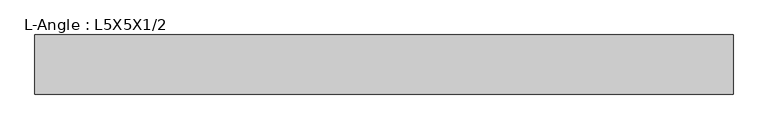
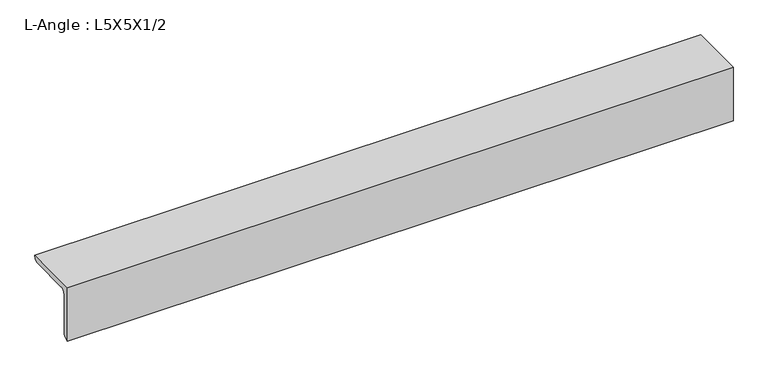
"""IFC4 building model written with IfcOpenShell, lengths in millimetres: beam geometry, L-Angle : L5X5X1/2."""

from ifc_helpers import new_model, si_unit, point, frame, frame_2d, origin, place, context, project, spatial, polyline, circle_curve, trimmed, segment, composite_curve, outline, extrude, source, transform, mapped, element, save


def l_angle_l5x5x1_2_169031e7(model_context):
    return source(origin(), model_context, "Body", "SweptSolid", [
        extrude(outline(composite_curve([segment(polyline([(-36.068, 36.068), (90.932, 36.068)]), True, "CONTINUOUS"), segment(trimmed(circle_curve(frame_2d((78.232, 36.068)), 12.7), [point((90.932, 36.068))], [point((78.232, 23.368))], False, "CARTESIAN"), True, "CONTINUOUS"), segment(polyline([(78.232, 23.368), (-10.668, 23.368)]), True, "CONTINUOUS"), segment(trimmed(circle_curve(frame_2d((-10.668, 10.668)), 12.7), [point((-10.668, 23.368))], [point((-23.368, 10.668))], True, "CARTESIAN"), True, "CONTINUOUS"), segment(polyline([(-23.368, 10.668), (-23.368, -78.232)]), True, "CONTINUOUS"), segment(trimmed(circle_curve(frame_2d((-36.068, -78.232)), 12.7), [point((-23.368, -78.232))], [point((-36.068, -90.932))], False, "CARTESIAN"), True, "CONTINUOUS"), segment(polyline([(-36.068, -90.932), (-36.068, 36.068)]), True, "CONTINUOUS")], self_intersect=False)), frame((-182.1277022, 0.0, 0.0), z_axis=(1.0, 0.0, 0.0), x_axis=(0.0, 1.0, 0.0)), (0.0, 0.0, 1.0), 1498.8071654),
    ])


if __name__ == "__main__":
    model = new_model("IFC4")
    model_context = context("Model", 3, world=origin())
    ifc_project = project(units=[si_unit("LENGTHUNIT", "METRE", prefix="MILLI")], contexts=[model_context])
    site = spatial("IfcSite", under=ifc_project)
    building = spatial("IfcBuilding", under=site)
    placement = place(None, origin())
    l_angle_l5x5x1_2_shape = l_angle_l5x5x1_2_169031e7(model_context)
    element("IfcBeam", 1, ObjectType="L-Angle : L5X5X1/2", at=placement, inside=building, context=model_context, shape_type="MappedRepresentation", body=[
        mapped(l_angle_l5x5x1_2_shape, transform((0.0, 0.0, 0.0), x_axis=(1.0, 0.0, 0.0), y_axis=(0.0, 1.0, 0.0), z_axis=(0.0, 0.0, 1.0))),
    ])
    save(model, "model.ifc")
